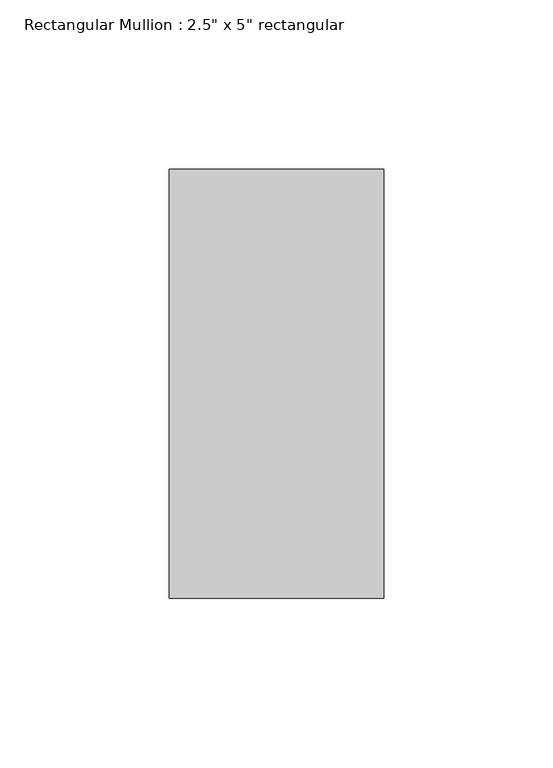
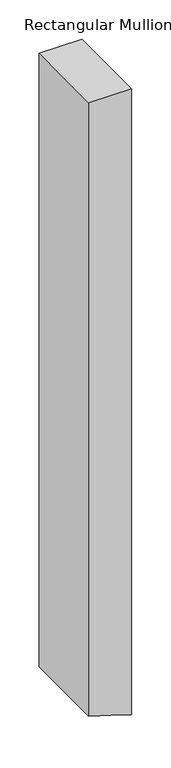
"""IFC4 building model written with IfcOpenShell, lengths in millimetres: member geometry."""

from ifc_helpers import new_model, si_unit, frame, origin, place, context, project, spatial, polyline, outline, extrude, source, transform, mapped, element, save


def member_802e08b7(model_context):
    return source(origin(), model_context, "Body", "SweptSolid", [
        extrude(outline(polyline([(0.0, 31.75), (0.0, -31.75), (-956.9030557, -31.75), (-972.3439049, 18.6132771), (-976.3714855, 31.75), (0.0, 31.75)])), frame((0.0, -63.5, 0.0), z_axis=(0.0, 1.0, 0.0), x_axis=(0.0, 0.0, 1.0)), (0.0, 0.0, 1.0), 127.0),
    ])


if __name__ == "__main__":
    model = new_model("IFC4")
    model_context = context("Model", 3, world=origin())
    ifc_project = project(units=[si_unit("LENGTHUNIT", "METRE", prefix="MILLI")], contexts=[model_context])
    site = spatial("IfcSite", under=ifc_project)
    building = spatial("IfcBuilding", under=site)
    placement = place(None, origin())
    member_shape = member_802e08b7(model_context)
    element("IfcMember", 1, ObjectType="Rectangular Mullion : 2.5\" x 5\" rectangular", at=placement, inside=building, context=model_context, shape_type="MappedRepresentation", body=[
        mapped(member_shape, transform((0.0, 0.0, 0.0), x_axis=(1.0, 0.0, 0.0), y_axis=(0.0, 1.0, 0.0), z_axis=(0.0, 0.0, 1.0))),
    ])
    save(model, "model.ifc")
